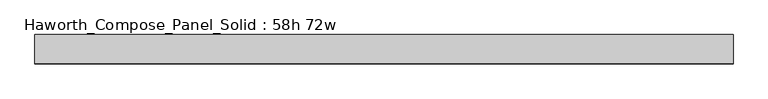
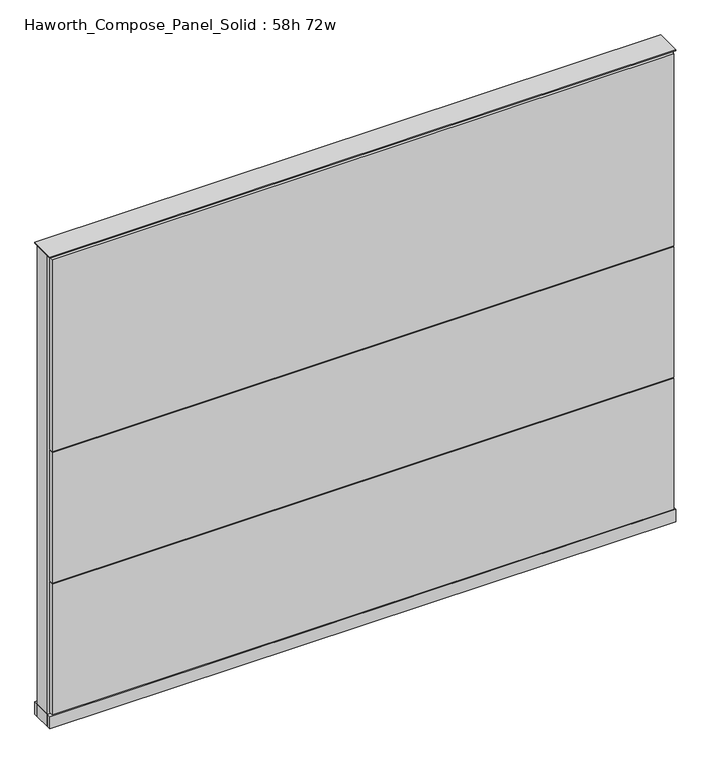
"""IFC4 building model written with IfcOpenShell, lengths in millimetres: furniture geometry, Haworth_Compose_Panel_Solid : 58h 72w."""

from ifc_helpers import new_model, si_unit, point, frame, frame_2d, origin, origin_with_axes, place, context, project, spatial, polyline, circle_curve, trimmed, segment, composite_curve, outline, extrude, source, transform, mapped, element, save


def haworth_compose_panel_solid_58h_72w_d8fe5597(model_context):
    return source(origin(), model_context, "Body", "SweptSolid", [
        extrude(outline(composite_curve([segment(trimmed(circle_curve(frame_2d((-835.7597098, 0.0)), 12.7), [point((-848.4597098, 0.0))], [point((-823.0597098, 0.0))], False, "CARTESIAN"), True, "CONTINUOUS"), segment(trimmed(circle_curve(frame_2d((-835.7597098, 0.0)), 12.7), [point((-823.0597098, 0.0))], [point((-848.4597098, 0.0))], False, "CARTESIAN"), True, "CONTINUOUS")], self_intersect=False)), origin_with_axes(), (0.0, 0.0, 1.0), 12.7),
        extrude(outline(composite_curve([segment(trimmed(circle_curve(frame_2d((840.6402902, 0.0)), 12.7), [point((827.9402902, 0.0))], [point((853.3402902, 0.0))], False, "CARTESIAN"), True, "CONTINUOUS"), segment(trimmed(circle_curve(frame_2d((840.6402902, 0.0)), 12.7), [point((853.3402902, 0.0))], [point((827.9402902, 0.0))], False, "CARTESIAN"), True, "CONTINUOUS")], self_intersect=False)), origin_with_axes(), (0.0, 0.0, 1.0), 12.7),
        extrude(outline(polyline([(910.4902902, 38.1), (910.4902902, 25.4), (-905.6097098, 25.4), (-905.6097098, 38.1), (910.4902902, 38.1)])), frame((0.0, 0.0, 866.775), z_axis=(0.0, 0.0, 1.0), x_axis=(1.0, 0.0, 0.0)), (0.0, 0.0, 1.0), 593.725),
        extrude(outline(polyline([(910.4902902, 38.1), (910.4902902, 25.4), (-905.6097098, 25.4), (-905.6097098, 38.1), (910.4902902, 38.1)])), frame((0.0, 0.0, 460.375), z_axis=(0.0, 0.0, 1.0), x_axis=(1.0, 0.0, 0.0)), (0.0, 0.0, 1.0), 403.225),
        extrude(outline(polyline([(910.4902902, 38.1), (910.4902902, 25.4), (-905.6097098, 25.4), (-905.6097098, 38.1), (910.4902902, 38.1)])), frame((0.0, 0.0, 53.975), z_axis=(0.0, 0.0, 1.0), x_axis=(1.0, 0.0, 0.0)), (0.0, 0.0, 1.0), 403.225),
        extrude(outline(polyline([(910.4902902, -38.1), (-905.6097098, -38.1), (-905.6097098, -25.4), (910.4902902, -25.4), (910.4902902, -38.1)])), frame((0.0, 0.0, 866.775), z_axis=(0.0, 0.0, 1.0), x_axis=(1.0, 0.0, 0.0)), (0.0, 0.0, 1.0), 593.725),
        extrude(outline(polyline([(910.4902902, -38.1), (-905.6097098, -38.1), (-905.6097098, -25.4), (910.4902902, -25.4), (910.4902902, -38.1)])), frame((0.0, 0.0, 460.375), z_axis=(0.0, 0.0, 1.0), x_axis=(1.0, 0.0, 0.0)), (0.0, 0.0, 1.0), 403.225),
        extrude(outline(polyline([(910.4902902, -38.1), (-905.6097098, -38.1), (-905.6097098, -25.4), (910.4902902, -25.4), (910.4902902, -38.1)])), frame((0.0, 0.0, 53.975), z_axis=(0.0, 0.0, 1.0), x_axis=(1.0, 0.0, 0.0)), (0.0, 0.0, 1.0), 403.225),
        extrude(outline(polyline([(916.8402902, 25.4), (916.8402902, -25.4), (-911.9597098, -25.4), (-911.9597098, 25.4), (916.8402902, 25.4)])), frame((0.0, 0.0, 12.7), z_axis=(0.0, 0.0, 1.0), x_axis=(1.0, 0.0, 0.0)), (0.0, 0.0, 1.0), 1454.15),
        extrude(outline(polyline([(-911.9597098, -38.1), (-911.9597098, 38.1), (916.8402902, 38.1), (916.8402902, -38.1), (-911.9597098, -38.1)])), frame((0.0, 0.0, 12.7), z_axis=(0.0, 0.0, 1.0), x_axis=(1.0, 0.0, 0.0)), (0.0, 0.0, 1.0), 38.1),
        extrude(outline(polyline([(-911.9597098, -38.1), (-911.9597098, 38.1), (916.8402902, 38.1), (916.8402902, -38.1), (-911.9597098, -38.1)])), frame((0.0, 0.0, 1466.85), z_axis=(0.0, 0.0, 1.0), x_axis=(1.0, 0.0, 0.0)), (0.0, 0.0, 1.0), 3.175),
    ])


if __name__ == "__main__":
    model = new_model("IFC4")
    model_context = context("Model", 3, world=origin())
    ifc_project = project(units=[si_unit("LENGTHUNIT", "METRE", prefix="MILLI")], contexts=[model_context])
    site = spatial("IfcSite", under=ifc_project)
    building = spatial("IfcBuilding", under=site)
    placement = place(None, origin())
    haworth_compose_panel_solid_58h_72w_shape = haworth_compose_panel_solid_58h_72w_d8fe5597(model_context)
    element("IfcFurniture", 1, ObjectType="Haworth_Compose_Panel_Solid : 58h 72w", at=placement, inside=building, context=model_context, shape_type="MappedRepresentation", body=[
        mapped(haworth_compose_panel_solid_58h_72w_shape, transform((0.0, 0.0, 0.0), x_axis=(1.0, 0.0, 0.0), y_axis=(0.0, 1.0, 0.0), z_axis=(0.0, 0.0, 1.0))),
    ])
    save(model, "model.ifc")
